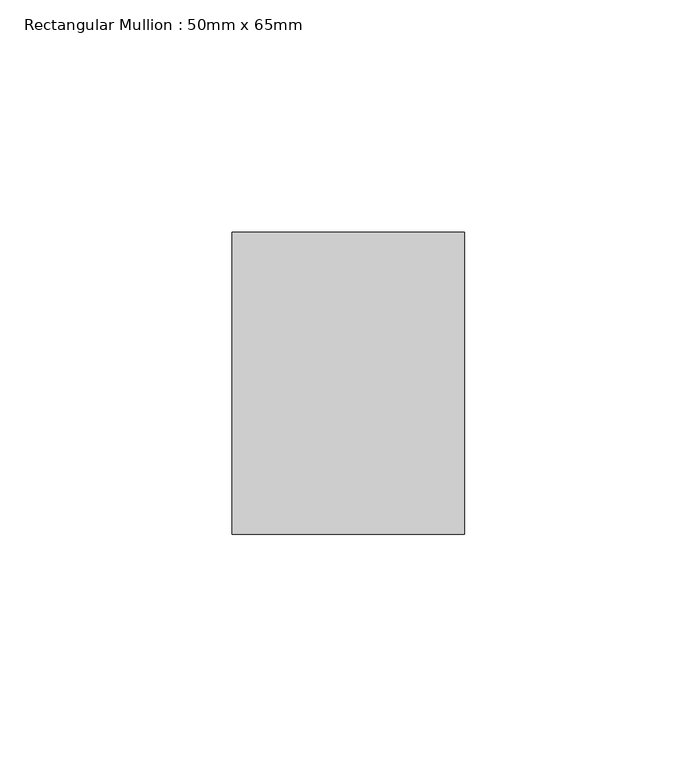
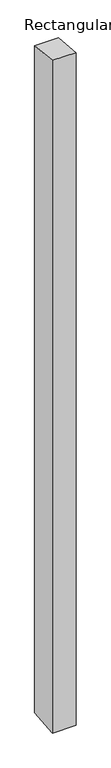
"""IFC4 building model written with IfcOpenShell, lengths in millimetres: member geometry, Rectangular Mullion : 50mm x 65mm."""

from ifc_helpers import new_model, si_unit, origin, place, context, project, spatial, faceted_brep, source, transform, mapped, element, save


def rectangular_mullion_50mm_x_65mm_b1ca37d1(model_context):
    return source(origin(), model_context, "Body", "Brep", [
        faceted_brep([(-25.0, 32.5, -3.3716846), (25.0, 32.5, -3.3716808), (25.0, 32.5, -1496.8525446), (-25.0, 32.5, -1496.852541), (-25.0, -32.5, 3.3716808), (-25.0, -32.5, -1503.1464154), (25.0, -32.5, 3.3716846), (25.0, -32.5, -1503.146419)], [[[0, 1, 2, 3]], [[4, 0, 3, 5]], [[6, 4, 5, 7]], [[1, 6, 7, 2]], [[1, 0, 4, 6]], [[2, 7, 5, 3]]]),
    ])


if __name__ == "__main__":
    model = new_model("IFC4")
    model_context = context("Model", 3, world=origin())
    ifc_project = project(units=[si_unit("LENGTHUNIT", "METRE", prefix="MILLI")], contexts=[model_context])
    site = spatial("IfcSite", under=ifc_project)
    building = spatial("IfcBuilding", under=site)
    placement = place(None, origin())
    rectangular_mullion_50mm_x_65mm_shape = rectangular_mullion_50mm_x_65mm_b1ca37d1(model_context)
    element("IfcMember", 1, ObjectType="Rectangular Mullion : 50mm x 65mm", at=placement, inside=building, context=model_context, shape_type="MappedRepresentation", body=[
        mapped(rectangular_mullion_50mm_x_65mm_shape, transform((0.0, 0.0, 0.0), x_axis=(1.0, 0.0, 0.0), y_axis=(0.0, 1.0, 0.0), z_axis=(0.0, 0.0, 1.0))),
    ])
    save(model, "model.ifc")
